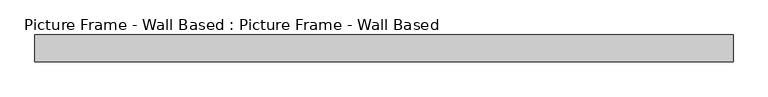
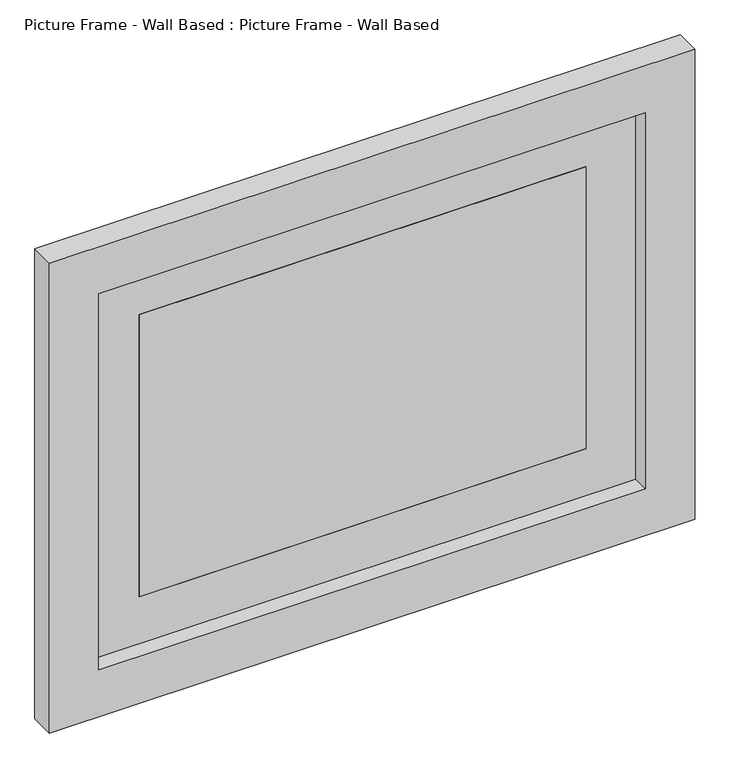
"""IFC4 building model written with IfcOpenShell, lengths in millimetres: proxy geometry, Picture Frame - Wall Based : Picture Frame - Wall Based."""

import ifcopenshell
import ifcopenshell.guid

model = None  # the IFC model being written
_history = None  # IfcOwnerHistory: only IFC2X3 demands one
_inside = {}  # id of a spatial element -> (the spatial element, [elements in it])
_under = {}  # id of a project, library or spatial element -> (it, [spatial elements below it])
_declared = {}  # id of a project -> (the project, [libraries it declares])
_typed = {}  # id of a type object -> (the type object, [elements of that type])
_made_of = {}  # id of a material, layer set ... -> (it, [elements and type objects made of it])


def new_model(schema):
    """Start an empty IFC model of exactly this schema.

    Asked for "IFC4X3", IfcOpenShell would pick the latest addendum, in which some entities
    have other attributes; the version numbers below select the first issue.
    IFC2X3 requires an IfcOwnerHistory on every rooted entity: one is made here for all.
    """
    global model, _history
    if schema == "IFC4X3":
        model = ifcopenshell.file(schema_version=(4, 3, 0, 0))
    else:
        model = ifcopenshell.file(schema=schema)
    _inside.clear()
    _under.clear()
    _declared.clear()
    _typed.clear()
    _made_of.clear()
    _history = None
    if model.schema == "IFC2X3":
        org = make("IfcOrganization", Name="unknown")
        user = make(
            "IfcPersonAndOrganization",
            ThePerson=make("IfcPerson", FamilyName="unknown"),
            TheOrganization=org,
        )
        app = make(
            "IfcApplication",
            ApplicationDeveloper=org,
            Version="unknown",
            ApplicationFullName="unknown",
            ApplicationIdentifier="unknown",
        )
        _history = make(
            "IfcOwnerHistory",
            OwningUser=user,
            OwningApplication=app,
            ChangeAction="ADDED",
            CreationDate=0,
        )
    return model


def make(cls, **values):
    """One entity of the class cls with the attributes given. An attribute that is None is left unset."""
    return model.create_entity(
        cls, **{name: value for name, value in values.items() if value is not None}
    )


def rooted(cls, **values):
    """An entity with a GlobalId (a new one), such as an element, a storey or a relation."""
    return make(cls, GlobalId=ifcopenshell.guid.new(), OwnerHistory=_history, **values)


def si_unit(unit_type, name, prefix=None):
    """IfcSIUnit, for example si_unit("LENGTHUNIT", "METRE", prefix="MILLI")."""
    return make("IfcSIUnit", UnitType=unit_type, Prefix=prefix, Name=name)


def assignment(units):
    """IfcUnitAssignment: the units of a project."""
    return None if units is None else make("IfcUnitAssignment", Units=units)


def point(xyz):
    """IfcCartesianPoint."""
    return None if xyz is None else make("IfcCartesianPoint", Coordinates=xyz)


def direction(xyz):
    """IfcDirection."""
    return None if xyz is None else make("IfcDirection", DirectionRatios=xyz)


def frame(location, z_axis=None, x_axis=None):
    """IfcAxis2Placement3D, a coordinate frame: its origin and axes. An axis left out is left unset."""
    return make(
        "IfcAxis2Placement3D",
        Location=point(location),
        Axis=direction(z_axis),
        RefDirection=direction(x_axis),
    )


def origin():
    """The frame at (0, 0, 0) with its axes left unset."""
    return frame((0.0, 0.0, 0.0))


def place(relative_to, where):
    """IfcLocalPlacement: puts the frame where relative to a parent placement (None: the world)."""
    return make(
        "IfcLocalPlacement", PlacementRelTo=relative_to, RelativePlacement=where
    )


def context(
    kind, dimensions, precision=None, world=None, true_north=None, identifier=None
):
    """IfcGeometricRepresentationContext, for example the 3D "Model" context."""
    return make(
        "IfcGeometricRepresentationContext",
        ContextIdentifier=identifier,
        ContextType=kind,
        CoordinateSpaceDimension=dimensions,
        Precision=precision,
        WorldCoordinateSystem=world,
        TrueNorth=true_north,
    )


def project(units=None, contexts=None):
    """IfcProject with its units and contexts."""
    return rooted(
        "IfcProject",
        Name="project",
        RepresentationContexts=contexts,
        UnitsInContext=assignment(units),
    )


def spatial(cls, under=None, at=None, **own):
    """A site, building, storey or space (cls), placed at a placement, below another one or the project."""
    s = rooted(cls, ObjectPlacement=at, **own)
    if under is not None:
        _under.setdefault(under.id(), (under, []))[1].append(s)
    return s


def polyline(points):
    """IfcPolyline through the points."""
    return make("IfcPolyline", Points=[point(p) for p in points])


def outline(outer, holes=None, kind="AREA"):
    """IfcArbitraryClosedProfileDef: a profile drawn as a closed curve; with holes, ...WithVoids."""
    if holes is None:
        return make("IfcArbitraryClosedProfileDef", ProfileType=kind, OuterCurve=outer)
    return make(
        "IfcArbitraryProfileDefWithVoids",
        ProfileType=kind,
        OuterCurve=outer,
        InnerCurves=holes,
    )


def extrude(swept, where, along, depth):
    """IfcExtrudedAreaSolid: the profile swept, set in the frame where, extruded along a direction by depth."""
    return make(
        "IfcExtrudedAreaSolid",
        SweptArea=swept,
        Position=where,
        ExtrudedDirection=direction(along),
        Depth=depth,
    )


def shape(context_of_items, identifier, shape_type, items):
    """IfcShapeRepresentation: the items that make up one representation, for example the "Body"."""
    return make(
        "IfcShapeRepresentation",
        ContextOfItems=context_of_items,
        RepresentationIdentifier=identifier,
        RepresentationType=shape_type,
        Items=items,
    )


def source(mapping_origin, context_of_items, identifier, shape_type, items):
    """IfcRepresentationMap: a shape defined once, which mapped items show again and again."""
    return make(
        "IfcRepresentationMap",
        MappingOrigin=mapping_origin,
        MappedRepresentation=shape(context_of_items, identifier, shape_type, items),
    )


def transform(
    local_origin,
    x_axis=None,
    y_axis=None,
    z_axis=None,
    scale=None,
    scale2=None,
    scale3=None,
    uniform=True,
):
    """IfcCartesianTransformationOperator3D, or its non-uniform kind. x_axis, y_axis, z_axis: its Axis1, 2, 3."""
    if uniform:
        return make(
            "IfcCartesianTransformationOperator3D",
            Axis1=direction(x_axis),
            Axis2=direction(y_axis),
            LocalOrigin=point(local_origin),
            Scale=scale,
            Axis3=direction(z_axis),
        )
    return make(
        "IfcCartesianTransformationOperator3DnonUniform",
        Axis1=direction(x_axis),
        Axis2=direction(y_axis),
        LocalOrigin=point(local_origin),
        Scale=scale,
        Axis3=direction(z_axis),
        Scale2=scale2,
        Scale3=scale3,
    )


def mapped(mapping_source, mapping_target):
    """IfcMappedItem: shows the shape of a source again, moved by a transform."""
    return make(
        "IfcMappedItem", MappingSource=mapping_source, MappingTarget=mapping_target
    )


def made_of(thing, what):
    """Note that an element or type object is made of a material, layer set ...; save() writes the relation."""
    if what is not None:
        _made_of.setdefault(what.id(), (what, []))[1].append(thing)
    return thing


def element(
    cls,
    number,
    at=None,
    inside=None,
    cuts=None,
    type_object=None,
    material=None,
    context=None,
    identifier="Body",
    shape_type=None,
    held_by="IfcProductDefinitionShape",
    body=None,
    shapes=None,
    **own,
):
    """One element of the class cls, such as IfcWall. Its Tag is "e" and its number.

    at: its placement. inside: the storey or other place that contains it. cuts: it is an
    opening in that element (IfcRelVoidsElement). A single representation is given by context,
    identifier, shape_type and body (its items); several are given by shapes. held_by: the class
    of the entity that holds the representations. save() writes the other relations.
    """
    e = rooted(cls, Tag="e%d" % number, ObjectPlacement=at, **own)
    if body is not None:
        shapes = [shape(context, identifier, shape_type, body)]
    if shapes is not None:
        e.Representation = make(held_by, Representations=shapes)
    if inside is not None:
        _inside.setdefault(inside.id(), (inside, []))[1].append(e)
    if cuts is not None:
        rooted(
            "IfcRelVoidsElement", RelatingBuildingElement=cuts, RelatedOpeningElement=e
        )
    if type_object is not None:
        _typed.setdefault(type_object.id(), (type_object, []))[1].append(e)
    return made_of(e, material)


def aggregate(whole, parts):
    """IfcRelAggregates: a whole, such as a stair, and the parts it consists of."""
    return rooted("IfcRelAggregates", RelatingObject=whole, RelatedObjects=parts)


def save(model, path):
    """Write the relations noted so far, then the file.

    IfcRelAggregates (storeys below a building ...), IfcRelContainedInSpatialStructure (elements
    in a storey), IfcRelDefinesByType, IfcRelAssociatesMaterial and IfcRelDeclares: one each for
    every whole, place, type object, material and project.
    """
    for whole, parts in _under.values():
        aggregate(whole, parts)
    for where, things in _inside.values():
        rooted(
            "IfcRelContainedInSpatialStructure",
            RelatedElements=things,
            RelatingStructure=where,
        )
    for kind, things in _typed.values():
        rooted("IfcRelDefinesByType", RelatedObjects=things, RelatingType=kind)
    for what, things in _made_of.values():
        rooted("IfcRelAssociatesMaterial", RelatedObjects=things, RelatingMaterial=what)
    for by, libraries in _declared.values():
        rooted("IfcRelDeclares", RelatingContext=by, RelatedDefinitions=libraries)
    model.write(path)


def picture_frame_wall_based_picture_frame_wall_based_b05d3a54(model_context):
    return source(origin(), model_context, "Body", "SweptSolid", [
        extrude(outline(polyline([(457.2, -120.1208333), (-457.2, -120.1208333), (-457.2, -103.1875), (457.2, -103.1875), (457.2, -120.1208333)])), frame((0.0, 0.0, 1459.8323307), z_axis=(0.0, 0.0, 1.0), x_axis=(1.0, 0.0, 0.0)), (0.0, 0.0, 1.0), 609.6),
        extrude(outline(polyline([(1358.2323307, 558.8), (2171.0323307, 558.8), (2171.0323307, -558.8), (1358.2323307, -558.8), (1358.2323307, 558.8)]), holes=[polyline([(1459.8323307, 457.2), (1459.8323307, -457.2), (2069.4323307, -457.2), (2069.4323307, 457.2), (1459.8323307, 457.2)])]), frame((0.0, -120.1208333, 0.0), z_axis=(0.0, 1.0, 0.0), x_axis=(0.0, 0.0, 1.0)), (0.0, 0.0, 1.0), 16.9333333),
        extrude(outline(polyline([(1256.6323307, 660.4), (2272.6323307, 660.4), (2272.6323307, -660.4), (1256.6323307, -660.4), (1256.6323307, 660.4)]), holes=[polyline([(1358.2323307, -558.8), (2171.0323307, -558.8), (2171.0323307, 558.8), (1358.2323307, 558.8), (1358.2323307, -558.8)])]), frame((0.0, -153.9875, 0.0), z_axis=(0.0, 1.0, 0.0), x_axis=(0.0, 0.0, 1.0)), (0.0, 0.0, 1.0), 50.8),
    ])


if __name__ == "__main__":
    model = new_model("IFC4")
    model_context = context("Model", 3, world=origin())
    ifc_project = project(units=[si_unit("LENGTHUNIT", "METRE", prefix="MILLI")], contexts=[model_context])
    site = spatial("IfcSite", under=ifc_project)
    building = spatial("IfcBuilding", under=site)
    placement = place(None, origin())
    picture_frame_wall_based_picture_frame_wall_based_shape = picture_frame_wall_based_picture_frame_wall_based_b05d3a54(model_context)
    element("IfcBuildingElementProxy", 1, Name="Picture Frame - Wall Based : Picture Frame - Wall Based", ObjectType="Picture Frame - Wall Based : Picture Frame - Wall Based", at=placement, inside=building, context=model_context, shape_type="MappedRepresentation", body=[
        mapped(picture_frame_wall_based_picture_frame_wall_based_shape, transform((0.0, 0.0, 0.0), x_axis=(1.0, 0.0, 0.0), y_axis=(0.0, 1.0, 0.0), z_axis=(0.0, 0.0, 1.0))),
    ])
    save(model, "model.ifc")
